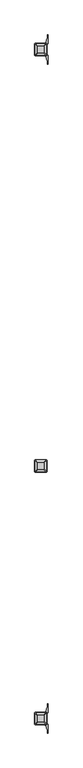
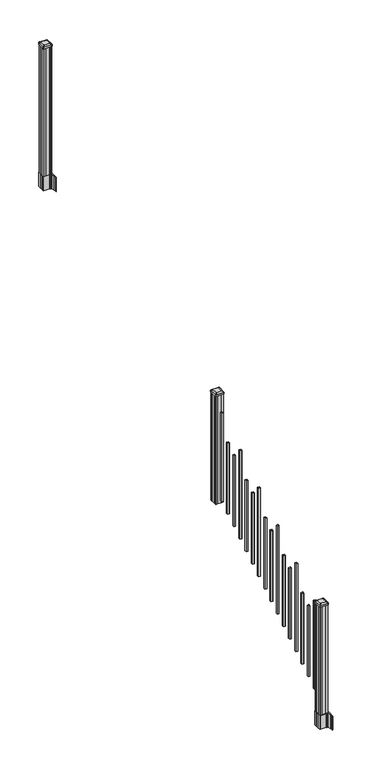
"""IFC4 building model written with IfcOpenShell, lengths in millimetres: railing geometry."""

import ifcopenshell
import ifcopenshell.guid

model = None  # the IFC model being written
_history = None  # IfcOwnerHistory: only IFC2X3 demands one
_inside = {}  # id of a spatial element -> (the spatial element, [elements in it])
_under = {}  # id of a project, library or spatial element -> (it, [spatial elements below it])
_declared = {}  # id of a project -> (the project, [libraries it declares])
_typed = {}  # id of a type object -> (the type object, [elements of that type])
_made_of = {}  # id of a material, layer set ... -> (it, [elements and type objects made of it])


def new_model(schema):
    """Start an empty IFC model of exactly this schema.

    Asked for "IFC4X3", IfcOpenShell would pick the latest addendum, in which some entities
    have other attributes; the version numbers below select the first issue.
    IFC2X3 requires an IfcOwnerHistory on every rooted entity: one is made here for all.
    """
    global model, _history
    if schema == "IFC4X3":
        model = ifcopenshell.file(schema_version=(4, 3, 0, 0))
    else:
        model = ifcopenshell.file(schema=schema)
    _inside.clear()
    _under.clear()
    _declared.clear()
    _typed.clear()
    _made_of.clear()
    _history = None
    if model.schema == "IFC2X3":
        org = make("IfcOrganization", Name="unknown")
        user = make(
            "IfcPersonAndOrganization",
            ThePerson=make("IfcPerson", FamilyName="unknown"),
            TheOrganization=org,
        )
        app = make(
            "IfcApplication",
            ApplicationDeveloper=org,
            Version="unknown",
            ApplicationFullName="unknown",
            ApplicationIdentifier="unknown",
        )
        _history = make(
            "IfcOwnerHistory",
            OwningUser=user,
            OwningApplication=app,
            ChangeAction="ADDED",
            CreationDate=0,
        )
    return model


def make(cls, **values):
    """One entity of the class cls with the attributes given. An attribute that is None is left unset."""
    return model.create_entity(
        cls, **{name: value for name, value in values.items() if value is not None}
    )


def rooted(cls, **values):
    """An entity with a GlobalId (a new one), such as an element, a storey or a relation."""
    return make(cls, GlobalId=ifcopenshell.guid.new(), OwnerHistory=_history, **values)


def si_unit(unit_type, name, prefix=None):
    """IfcSIUnit, for example si_unit("LENGTHUNIT", "METRE", prefix="MILLI")."""
    return make("IfcSIUnit", UnitType=unit_type, Prefix=prefix, Name=name)


def assignment(units):
    """IfcUnitAssignment: the units of a project."""
    return None if units is None else make("IfcUnitAssignment", Units=units)


def point(xyz):
    """IfcCartesianPoint."""
    return None if xyz is None else make("IfcCartesianPoint", Coordinates=xyz)


def direction(xyz):
    """IfcDirection."""
    return None if xyz is None else make("IfcDirection", DirectionRatios=xyz)


def frame(location, z_axis=None, x_axis=None):
    """IfcAxis2Placement3D, a coordinate frame: its origin and axes. An axis left out is left unset."""
    return make(
        "IfcAxis2Placement3D",
        Location=point(location),
        Axis=direction(z_axis),
        RefDirection=direction(x_axis),
    )


def frame_2d(location, x_axis=None):
    """IfcAxis2Placement2D, a coordinate frame in the plane: its origin and x axis."""
    return make(
        "IfcAxis2Placement2D", Location=point(location), RefDirection=direction(x_axis)
    )


def origin():
    """The frame at (0, 0, 0) with its axes left unset."""
    return frame((0.0, 0.0, 0.0))


def place(relative_to, where):
    """IfcLocalPlacement: puts the frame where relative to a parent placement (None: the world)."""
    return make(
        "IfcLocalPlacement", PlacementRelTo=relative_to, RelativePlacement=where
    )


def context(
    kind, dimensions, precision=None, world=None, true_north=None, identifier=None
):
    """IfcGeometricRepresentationContext, for example the 3D "Model" context."""
    return make(
        "IfcGeometricRepresentationContext",
        ContextIdentifier=identifier,
        ContextType=kind,
        CoordinateSpaceDimension=dimensions,
        Precision=precision,
        WorldCoordinateSystem=world,
        TrueNorth=true_north,
    )


def project(units=None, contexts=None):
    """IfcProject with its units and contexts."""
    return rooted(
        "IfcProject",
        Name="project",
        RepresentationContexts=contexts,
        UnitsInContext=assignment(units),
    )


def spatial(cls, under=None, at=None, **own):
    """A site, building, storey or space (cls), placed at a placement, below another one or the project."""
    s = rooted(cls, ObjectPlacement=at, **own)
    if under is not None:
        _under.setdefault(under.id(), (under, []))[1].append(s)
    return s


def polyline(points):
    """IfcPolyline through the points."""
    return make("IfcPolyline", Points=[point(p) for p in points])


def circle_curve(where, radius):
    """IfcCircle in the frame where."""
    return make("IfcCircle", Position=where, Radius=radius)


def trimmed(basis, trim1, trim2, sense, master):
    """IfcTrimmedCurve: the piece of a basis curve between two trims."""
    return make(
        "IfcTrimmedCurve",
        BasisCurve=basis,
        Trim1=trim1,
        Trim2=trim2,
        SenseAgreement=sense,
        MasterRepresentation=master,
    )


def segment(curve, same_sense, transition):
    """IfcCompositeCurveSegment."""
    return make(
        "IfcCompositeCurveSegment",
        Transition=transition,
        SameSense=same_sense,
        ParentCurve=curve,
    )


def composite_curve(segments, self_intersect=None):
    """IfcCompositeCurve: segments joined end to end."""
    return make("IfcCompositeCurve", Segments=segments, SelfIntersect=self_intersect)


def outline(outer, holes=None, kind="AREA"):
    """IfcArbitraryClosedProfileDef: a profile drawn as a closed curve; with holes, ...WithVoids."""
    if holes is None:
        return make("IfcArbitraryClosedProfileDef", ProfileType=kind, OuterCurve=outer)
    return make(
        "IfcArbitraryProfileDefWithVoids",
        ProfileType=kind,
        OuterCurve=outer,
        InnerCurves=holes,
    )


def extrude(swept, where, along, depth):
    """IfcExtrudedAreaSolid: the profile swept, set in the frame where, extruded along a direction by depth."""
    return make(
        "IfcExtrudedAreaSolid",
        SweptArea=swept,
        Position=where,
        ExtrudedDirection=direction(along),
        Depth=depth,
    )


def shape(context_of_items, identifier, shape_type, items):
    """IfcShapeRepresentation: the items that make up one representation, for example the "Body"."""
    return make(
        "IfcShapeRepresentation",
        ContextOfItems=context_of_items,
        RepresentationIdentifier=identifier,
        RepresentationType=shape_type,
        Items=items,
    )


def source(mapping_origin, context_of_items, identifier, shape_type, items):
    """IfcRepresentationMap: a shape defined once, which mapped items show again and again."""
    return make(
        "IfcRepresentationMap",
        MappingOrigin=mapping_origin,
        MappedRepresentation=shape(context_of_items, identifier, shape_type, items),
    )


def transform(
    local_origin,
    x_axis=None,
    y_axis=None,
    z_axis=None,
    scale=None,
    scale2=None,
    scale3=None,
    uniform=True,
):
    """IfcCartesianTransformationOperator3D, or its non-uniform kind. x_axis, y_axis, z_axis: its Axis1, 2, 3."""
    if uniform:
        return make(
            "IfcCartesianTransformationOperator3D",
            Axis1=direction(x_axis),
            Axis2=direction(y_axis),
            LocalOrigin=point(local_origin),
            Scale=scale,
            Axis3=direction(z_axis),
        )
    return make(
        "IfcCartesianTransformationOperator3DnonUniform",
        Axis1=direction(x_axis),
        Axis2=direction(y_axis),
        LocalOrigin=point(local_origin),
        Scale=scale,
        Axis3=direction(z_axis),
        Scale2=scale2,
        Scale3=scale3,
    )


def mapped(mapping_source, mapping_target):
    """IfcMappedItem: shows the shape of a source again, moved by a transform."""
    return make(
        "IfcMappedItem", MappingSource=mapping_source, MappingTarget=mapping_target
    )


def made_of(thing, what):
    """Note that an element or type object is made of a material, layer set ...; save() writes the relation."""
    if what is not None:
        _made_of.setdefault(what.id(), (what, []))[1].append(thing)
    return thing


def element(
    cls,
    number,
    at=None,
    inside=None,
    cuts=None,
    type_object=None,
    material=None,
    context=None,
    identifier="Body",
    shape_type=None,
    held_by="IfcProductDefinitionShape",
    body=None,
    shapes=None,
    **own,
):
    """One element of the class cls, such as IfcWall. Its Tag is "e" and its number.

    at: its placement. inside: the storey or other place that contains it. cuts: it is an
    opening in that element (IfcRelVoidsElement). A single representation is given by context,
    identifier, shape_type and body (its items); several are given by shapes. held_by: the class
    of the entity that holds the representations. save() writes the other relations.
    """
    e = rooted(cls, Tag="e%d" % number, ObjectPlacement=at, **own)
    if body is not None:
        shapes = [shape(context, identifier, shape_type, body)]
    if shapes is not None:
        e.Representation = make(held_by, Representations=shapes)
    if inside is not None:
        _inside.setdefault(inside.id(), (inside, []))[1].append(e)
    if cuts is not None:
        rooted(
            "IfcRelVoidsElement", RelatingBuildingElement=cuts, RelatedOpeningElement=e
        )
    if type_object is not None:
        _typed.setdefault(type_object.id(), (type_object, []))[1].append(e)
    return made_of(e, material)


def aggregate(whole, parts):
    """IfcRelAggregates: a whole, such as a stair, and the parts it consists of."""
    return rooted("IfcRelAggregates", RelatingObject=whole, RelatedObjects=parts)


def save(model, path):
    """Write the relations noted so far, then the file.

    IfcRelAggregates (storeys below a building ...), IfcRelContainedInSpatialStructure (elements
    in a storey), IfcRelDefinesByType, IfcRelAssociatesMaterial and IfcRelDeclares: one each for
    every whole, place, type object, material and project.
    """
    for whole, parts in _under.values():
        aggregate(whole, parts)
    for where, things in _inside.values():
        rooted(
            "IfcRelContainedInSpatialStructure",
            RelatedElements=things,
            RelatingStructure=where,
        )
    for kind, things in _typed.values():
        rooted("IfcRelDefinesByType", RelatedObjects=things, RelatingType=kind)
    for what, things in _made_of.values():
        rooted("IfcRelAssociatesMaterial", RelatedObjects=things, RelatingMaterial=what)
    for by, libraries in _declared.values():
        rooted("IfcRelDeclares", RelatingContext=by, RelatedDefinitions=libraries)
    model.write(path)


def plane_surface(at):
    """IfcPlane: the flat surface through the origin of the frame at, square to its z axis."""
    return make("IfcPlane", Position=at)


def extruded_surface(curve, direction_of_extrusion, depth):
    """IfcSurfaceOfLinearExtrusion: the curve pushed along a direction by depth."""
    return make(
        "IfcSurfaceOfLinearExtrusion",
        SweptCurve=make("IfcArbitraryOpenProfileDef", ProfileType="CURVE", Curve=curve),
        ExtrudedDirection=direction(direction_of_extrusion),
        Depth=depth,
    )


def advanced_brep(points, edges, surfaces, faces):
    """IfcAdvancedBrep: a solid bounded by faces that lie on surfaces and meet in shared edges.

    An edge is (start, end): straight between two places in points (the first is 0);
    or (start, end, curve); or (start, end, curve, False) where it runs against its curve.
    A face is (place in surfaces, loops), or (place, loops, False) where it looks against
    its surface's normal. A loop lists edges by number (the first is 1), with a minus sign
    where the edge is run from its end to its start. The first loop is the outer one.
    """
    corners = [point(p) for p in points]
    vertices = [make("IfcVertexPoint", VertexGeometry=c) for c in corners]
    made = []
    for start, end, *more in edges:
        made.append(
            make(
                "IfcEdgeCurve",
                EdgeStart=vertices[start],
                EdgeEnd=vertices[end],
                EdgeGeometry=more[0] if more else make("IfcPolyline", Points=[corners[start], corners[end]]),
                SameSense=more[1] if len(more) > 1 else True,
            )
        )
    hull = []
    for where, loops, *sense in faces:
        bounds = []
        for j, loop in enumerate(loops):
            ring = [make("IfcOrientedEdge", EdgeElement=made[abs(k) - 1], Orientation=k > 0) for k in loop]
            bounds.append(
                make(
                    "IfcFaceOuterBound" if j == 0 else "IfcFaceBound",
                    Bound=make("IfcEdgeLoop", EdgeList=ring),
                    Orientation=True,
                )
            )
        hull.append(make("IfcAdvancedFace", Bounds=bounds, FaceSurface=surfaces[where], SameSense=sense[0] if sense else True))
    return make("IfcAdvancedBrep", Outer=make("IfcClosedShell", CfsFaces=hull))


def railing_5c377185(model_context):
    return source(origin(), model_context, "Body", "SolidModel", [
        advanced_brep(
        [(8709.4626478, -114155.4027203, 2547.109263), (8712.6376478, -114152.2277203, 2547.109263), (8712.6376478, -114100.6339703, 2547.109263), (8709.4626478, -114097.4589703, 2547.109263), (8657.8688978, -114097.4589703, 2547.109263), (8654.6938978, -114100.6339703, 2547.109263), (8654.6938978, -114152.2277203, 2547.109263), (8657.8688978, -114155.4027203, 2547.109263), (8725.7345228, -114171.6745953, 2535.806263), (8641.5970228, -114171.6745953, 2535.806263), (8638.4220228, -114168.4995953, 2535.806263), (8638.4220228, -114084.3620953, 2535.806263), (8641.5970228, -114081.1870953, 2535.806263), (8725.7345228, -114081.1870953, 2535.806263), (8728.9095228, -114084.3620953, 2535.806263), (8728.9095228, -114168.4995953, 2535.806263)],
        [
            (0, 1, circle_curve(frame((8709.4626478, -114152.2277203, 2547.109263), z_axis=(0.0, 0.0, 1.0), x_axis=(0.0, 1.0, 0.0)), 3.175)),
            (1, 2),
            (2, 3, circle_curve(frame((8709.4626478, -114100.6339703, 2547.109263), z_axis=(0.0, 0.0, 1.0), x_axis=(0.0, 1.0, 0.0)), 3.175)),
            (3, 4),
            (4, 5, circle_curve(frame((8657.8688978, -114100.6339703, 2547.109263), z_axis=(0.0, 0.0, 1.0), x_axis=(0.0, 1.0, 0.0)), 3.175)),
            (5, 6),
            (6, 7, circle_curve(frame((8657.8688978, -114152.2277203, 2547.109263), z_axis=(0.0, 0.0, 1.0), x_axis=(0.0, 1.0, 0.0)), 3.175)),
            (7, 0),
            (8, 9),
            (9, 10, circle_curve(frame((8641.5970228, -114168.4995953, 2535.806263), z_axis=(0.0, 0.0, -1.0), x_axis=(0.0, 1.0, 0.0)), 3.175)),
            (10, 11),
            (11, 12, circle_curve(frame((8641.5970228, -114084.3620953, 2535.806263), z_axis=(0.0, 0.0, -1.0), x_axis=(0.0, 1.0, 0.0)), 3.175)),
            (12, 13),
            (13, 14, circle_curve(frame((8725.7345228, -114084.3620953, 2535.806263), z_axis=(0.0, 0.0, -1.0), x_axis=(0.0, 1.0, 0.0)), 3.175)),
            (14, 15),
            (15, 8, circle_curve(frame((8725.7345228, -114168.4995953, 2535.806263), z_axis=(0.0, 0.0, -1.0), x_axis=(0.0, 1.0, 0.0)), 3.175)),
            (15, 1),
            (0, 8),
            (14, 2),
            (13, 3),
            (12, 4),
            (11, 5),
            (10, 6),
            (9, 7),
        ],
        [
            plane_surface(frame((8683.6657728, -114126.4308453, 2547.109263), z_axis=(0.0, 0.0, 1.0), x_axis=(1.0, 0.0, 0.0))),
            plane_surface(frame((8683.6657728, -114126.4308453, 2535.806263), z_axis=(0.0, 0.0, -1.0), x_axis=(1.0, 0.0, 0.0))),
            extruded_surface(trimmed(circle_curve(frame((8725.7345228, -114168.4995953, 2535.806263), z_axis=(0.0, 0.0, 1.0), x_axis=(0.0, 1.0, 0.0)), 3.175), [point((8725.7345228, -114171.6745953, 2535.806263))], [point((8728.9095228, -114168.4995953, 2535.806263))], True, "CARTESIAN"), (-16.271875000000364, 16.27187500000582, 11.302999999999884), 25.637972638870036),
            plane_surface(frame((8728.9095228, -114126.4308453, 2535.806263), z_axis=(0.5705009161540778, 0.0, 0.8212969649690408), x_axis=(0.0, 1.0, 0.0))),
            extruded_surface(trimmed(circle_curve(frame((8725.7345228, -114084.3620953, 2535.806263), z_axis=(0.0, 0.0, 1.0), x_axis=(0.0, 1.0, 0.0)), 3.175), [point((8728.9095228, -114084.3620953, 2535.806263))], [point((8725.7345228, -114081.1870953, 2535.806263))], True, "CARTESIAN"), (-16.271875000000364, -16.27187499999127, 11.302999999999884), 25.637972638860802),
            plane_surface(frame((8683.6657728, -114081.1870953, 2535.806263), z_axis=(0.0, 0.5705009161540291, 0.8212969649690747), x_axis=(-1.0, 0.0, 0.0))),
            extruded_surface(trimmed(circle_curve(frame((8641.5970228, -114084.3620953, 2535.806263), z_axis=(0.0, 0.0, 1.0), x_axis=(0.0, 1.0, 0.0)), 3.175), [point((8641.5970228, -114081.1870953, 2535.806263))], [point((8638.4220228, -114084.3620953, 2535.806263))], True, "CARTESIAN"), (16.271874999998545, -16.27187499999127, 11.302999999999884), 25.637972638859644),
            plane_surface(frame((8638.4220228, -114126.4308453, 2535.806263), z_axis=(-0.5705009161540142, 0.0, 0.8212969649690851), x_axis=(0.0, -1.0, 0.0))),
            extruded_surface(trimmed(circle_curve(frame((8641.5970228, -114168.4995953, 2535.806263), z_axis=(0.0, 0.0, 1.0), x_axis=(0.0, 1.0, 0.0)), 3.175), [point((8638.4220228, -114168.4995953, 2535.806263))], [point((8641.5970228, -114171.6745953, 2535.806263))], True, "CARTESIAN"), (16.271874999998545, 16.27187500000582, 11.302999999999884), 25.63797263886888),
            plane_surface(frame((8683.6657728, -114171.6745953, 2535.806263), z_axis=(0.0, -0.570500916154034, 0.8212969649690713), x_axis=(1.0, 0.0, 0.0))),
        ],
        [
            (0, [[1, 2, 3, 4, 5, 6, 7, 8]]),
            (1, [[9, 10, 11, 12, 13, 14, 15, 16]]),
            (2, [[-16, 17, -1, 18]]),
            (3, [[-15, 19, -2, -17]]),
            (4, [[-14, 20, -3, -19]]),
            (5, [[-13, 21, -4, -20]]),
            (6, [[-12, 22, -5, -21]]),
            (7, [[-11, 23, -6, -22]]),
            (8, [[-10, 24, -7, -23]]),
            (9, [[-9, -18, -8, -24]]),
        ],
    ),
        extrude(outline(composite_curve([segment(polyline([(8725.7345228, -114171.6745953), (8641.5970228, -114171.6745953)]), True, "CONTINUOUS"), segment(trimmed(circle_curve(frame_2d((8641.5970228, -114168.4995953)), 3.175), [point((8641.5970228, -114171.6745953))], [point((8638.4220228, -114168.4995953))], False, "CARTESIAN"), True, "CONTINUOUS"), segment(polyline([(8638.4220228, -114168.4995953), (8638.4220228, -114084.3620953)]), True, "CONTINUOUS"), segment(trimmed(circle_curve(frame_2d((8641.5970228, -114084.3620953)), 3.175), [point((8638.4220228, -114084.3620953))], [point((8641.5970228, -114081.1870953))], False, "CARTESIAN"), True, "CONTINUOUS"), segment(polyline([(8641.5970228, -114081.1870953), (8725.7345228, -114081.1870953)]), True, "CONTINUOUS"), segment(trimmed(circle_curve(frame_2d((8725.7345228, -114084.3620953)), 3.175), [point((8725.7345228, -114081.1870953))], [point((8728.9095228, -114084.3620953))], False, "CARTESIAN"), True, "CONTINUOUS"), segment(polyline([(8728.9095228, -114084.3620953), (8728.9095228, -114168.4995953)]), True, "CONTINUOUS"), segment(trimmed(circle_curve(frame_2d((8725.7345228, -114168.4995953)), 3.175), [point((8728.9095228, -114168.4995953))], [point((8725.7345228, -114171.6745953))], False, "CARTESIAN"), True, "CONTINUOUS")], self_intersect=False)), frame((0.0, 0.0, 2518.534263), z_axis=(0.0, 0.0, 1.0), x_axis=(1.0, 0.0, 0.0)), (0.0, 0.0, 1.0), 17.272),
        extrude(outline(polyline([(8723.3532728, -114167.7058453), (8703.7317728, -114167.7058453), (8702.9697728, -114166.1183453), (8664.3617728, -114166.1183453), (8663.5997728, -114167.7058453), (8643.9782728, -114167.7058453), (8642.3907728, -114166.1183453), (8642.3907728, -114146.4968453), (8643.9782728, -114145.7348453), (8643.9782728, -114107.1268453), (8642.3907728, -114106.3648453), (8642.3907728, -114086.7433453), (8643.9782728, -114085.1558453), (8663.5997728, -114085.1558453), (8664.3617728, -114086.7433453), (8702.9697728, -114086.7433453), (8703.7317728, -114085.1558453), (8723.3532728, -114085.1558453), (8724.9407728, -114086.7433453), (8724.9407728, -114106.3648453), (8723.3532728, -114107.1268453), (8723.3532728, -114145.7348453), (8724.9407728, -114146.4968453), (8724.9407728, -114166.1183453), (8723.3532728, -114167.7058453)])), frame((0.0, 0.0, 1334.77), z_axis=(0.0, 0.0, 1.0), x_axis=(1.0, 0.0, 0.0)), (0.0, 0.0, 1.0), 1183.764263),
        extrude(outline(polyline([(8674.1407728, -114216.9818453), (8674.1407728, -114197.9318453), (8693.1907728, -114197.9318453), (8693.1907728, -114216.9818453), (8674.1407728, -114216.9818453)]), holes=[polyline([(8674.5376478, -114216.5849703), (8692.7938978, -114216.5849703), (8692.7938978, -114198.3287203), (8674.5376478, -114198.3287203), (8674.5376478, -114216.5849703)])]), frame((0.0, 0.0, 1385.7246281), z_axis=(0.0, 0.0, 1.0), x_axis=(1.0, 0.0, 0.0)), (0.0, 0.0, 1.0), 965.2041219),
        extrude(outline(polyline([(8674.1407728, -114328.2338453), (8674.1407728, -114309.1838453), (8693.1907728, -114309.1838453), (8693.1907728, -114328.2338453), (8674.1407728, -114328.2338453)]), holes=[polyline([(8674.5376478, -114327.8369703), (8692.7938978, -114327.8369703), (8692.7938978, -114309.5807203), (8674.5376478, -114309.5807203), (8674.5376478, -114327.8369703)])]), frame((0.0, 0.0, 1316.1921281), z_axis=(0.0, 0.0, 1.0), x_axis=(1.0, 0.0, 0.0)), (0.0, 0.0, 1.0), 774.7041219),
        extrude(outline(polyline([(8674.1407728, -114439.4858453), (8674.1407728, -114420.4358453), (8693.1907728, -114420.4358453), (8693.1907728, -114439.4858453), (8674.1407728, -114439.4858453)]), holes=[polyline([(8674.5376478, -114439.0889703), (8692.7938978, -114439.0889703), (8692.7938978, -114420.8327203), (8674.5376478, -114420.8327203), (8674.5376478, -114439.0889703)])]), frame((0.0, 0.0, 1246.6596281), z_axis=(0.0, 0.0, 1.0), x_axis=(1.0, 0.0, 0.0)), (0.0, 0.0, 1.0), 774.7041219),
        extrude(outline(polyline([(8674.1407728, -114550.7378453), (8674.1407728, -114531.6878453), (8693.1907728, -114531.6878453), (8693.1907728, -114550.7378453), (8674.1407728, -114550.7378453)]), holes=[polyline([(8674.5376478, -114550.3409703), (8692.7938978, -114550.3409703), (8692.7938978, -114532.0847203), (8674.5376478, -114532.0847203), (8674.5376478, -114550.3409703)])]), frame((0.0, 0.0, 1177.1271281), z_axis=(0.0, 0.0, 1.0), x_axis=(1.0, 0.0, 0.0)), (0.0, 0.0, 1.0), 965.2041219),
        extrude(outline(polyline([(8674.1407728, -114661.9898453), (8674.1407728, -114642.9398453), (8693.1907728, -114642.9398453), (8693.1907728, -114661.9898453), (8674.1407728, -114661.9898453)]), holes=[polyline([(8674.5376478, -114661.5929703), (8692.7938978, -114661.5929703), (8692.7938978, -114643.3367203), (8674.5376478, -114643.3367203), (8674.5376478, -114661.5929703)])]), frame((0.0, 0.0, 1107.5946281), z_axis=(0.0, 0.0, 1.0), x_axis=(1.0, 0.0, 0.0)), (0.0, 0.0, 1.0), 774.7041219),
        extrude(outline(polyline([(8674.1407728, -114773.2418453), (8674.1407728, -114754.1918453), (8693.1907728, -114754.1918453), (8693.1907728, -114773.2418453), (8674.1407728, -114773.2418453)]), holes=[polyline([(8674.5376478, -114772.8449703), (8692.7938978, -114772.8449703), (8692.7938978, -114754.5887203), (8674.5376478, -114754.5887203), (8674.5376478, -114772.8449703)])]), frame((0.0, 0.0, 1038.0621281), z_axis=(0.0, 0.0, 1.0), x_axis=(1.0, 0.0, 0.0)), (0.0, 0.0, 1.0), 774.7041219),
        extrude(outline(polyline([(8674.1407728, -114884.4938453), (8674.1407728, -114865.4438453), (8693.1907728, -114865.4438453), (8693.1907728, -114884.4938453), (8674.1407728, -114884.4938453)]), holes=[polyline([(8674.5376478, -114884.0969703), (8692.7938978, -114884.0969703), (8692.7938978, -114865.8407203), (8674.5376478, -114865.8407203), (8674.5376478, -114884.0969703)])]), frame((0.0, 0.0, 968.5296281), z_axis=(0.0, 0.0, 1.0), x_axis=(1.0, 0.0, 0.0)), (0.0, 0.0, 1.0), 965.2041219),
        extrude(outline(polyline([(8674.1407728, -114995.7458453), (8674.1407728, -114976.6958453), (8693.1907728, -114976.6958453), (8693.1907728, -114995.7458453), (8674.1407728, -114995.7458453)]), holes=[polyline([(8674.5376478, -114995.3489703), (8692.7938978, -114995.3489703), (8692.7938978, -114977.0927203), (8674.5376478, -114977.0927203), (8674.5376478, -114995.3489703)])]), frame((0.0, 0.0, 898.9971281), z_axis=(0.0, 0.0, 1.0), x_axis=(1.0, 0.0, 0.0)), (0.0, 0.0, 1.0), 774.7041219),
        extrude(outline(polyline([(8674.1407728, -115106.9978453), (8674.1407728, -115087.9478453), (8693.1907728, -115087.9478453), (8693.1907728, -115106.9978453), (8674.1407728, -115106.9978453)]), holes=[polyline([(8674.5376478, -115106.6009703), (8692.7938978, -115106.6009703), (8692.7938978, -115088.3447203), (8674.5376478, -115088.3447203), (8674.5376478, -115106.6009703)])]), frame((0.0, 0.0, 829.4646281), z_axis=(0.0, 0.0, 1.0), x_axis=(1.0, 0.0, 0.0)), (0.0, 0.0, 1.0), 774.7041219),
        extrude(outline(polyline([(8674.1407728, -115218.2498453), (8674.1407728, -115199.1998453), (8693.1907728, -115199.1998453), (8693.1907728, -115218.2498453), (8674.1407728, -115218.2498453)]), holes=[polyline([(8674.5376478, -115217.8529703), (8692.7938978, -115217.8529703), (8692.7938978, -115199.5967203), (8674.5376478, -115199.5967203), (8674.5376478, -115217.8529703)])]), frame((0.0, 0.0, 759.9321281), z_axis=(0.0, 0.0, 1.0), x_axis=(1.0, 0.0, 0.0)), (0.0, 0.0, 1.0), 965.2041219),
        extrude(outline(polyline([(8674.1407728, -115329.5018453), (8674.1407728, -115310.4518453), (8693.1907728, -115310.4518453), (8693.1907728, -115329.5018453), (8674.1407728, -115329.5018453)]), holes=[polyline([(8674.5376478, -115329.1049703), (8692.7938978, -115329.1049703), (8692.7938978, -115310.8487203), (8674.5376478, -115310.8487203), (8674.5376478, -115329.1049703)])]), frame((0.0, 0.0, 690.3996281), z_axis=(0.0, 0.0, 1.0), x_axis=(1.0, 0.0, 0.0)), (0.0, 0.0, 1.0), 774.7041219),
        extrude(outline(polyline([(8674.1407728, -115440.7538453), (8674.1407728, -115421.7038453), (8693.1907728, -115421.7038453), (8693.1907728, -115440.7538453), (8674.1407728, -115440.7538453)]), holes=[polyline([(8674.5376478, -115440.3569703), (8692.7938978, -115440.3569703), (8692.7938978, -115422.1007203), (8674.5376478, -115422.1007203), (8674.5376478, -115440.3569703)])]), frame((0.0, 0.0, 620.8671281), z_axis=(0.0, 0.0, 1.0), x_axis=(1.0, 0.0, 0.0)), (0.0, 0.0, 1.0), 774.7041219),
        extrude(outline(polyline([(8674.1407728, -115552.0058453), (8674.1407728, -115532.9558453), (8693.1907728, -115532.9558453), (8693.1907728, -115552.0058453), (8674.1407728, -115552.0058453)]), holes=[polyline([(8674.5376478, -115551.6089703), (8692.7938978, -115551.6089703), (8692.7938978, -115533.3527203), (8674.5376478, -115533.3527203), (8674.5376478, -115551.6089703)])]), frame((0.0, 0.0, 551.3346281), z_axis=(0.0, 0.0, 1.0), x_axis=(1.0, 0.0, 0.0)), (0.0, 0.0, 1.0), 965.2041219),
        extrude(outline(polyline([(8674.1407728, -115663.2578453), (8674.1407728, -115644.2078453), (8693.1907728, -115644.2078453), (8693.1907728, -115663.2578453), (8674.1407728, -115663.2578453)]), holes=[polyline([(8674.5376478, -115662.8609703), (8692.7938978, -115662.8609703), (8692.7938978, -115644.6047203), (8674.5376478, -115644.6047203), (8674.5376478, -115662.8609703)])]), frame((0.0, 0.0, 481.8021281), z_axis=(0.0, 0.0, 1.0), x_axis=(1.0, 0.0, 0.0)), (0.0, 0.0, 1.0), 774.7041219),
        extrude(outline(polyline([(8674.1407728, -115774.5098453), (8674.1407728, -115755.4598453), (8693.1907728, -115755.4598453), (8693.1907728, -115774.5098453), (8674.1407728, -115774.5098453)]), holes=[polyline([(8674.5376478, -115774.1129703), (8692.7938978, -115774.1129703), (8692.7938978, -115755.8567203), (8674.5376478, -115755.8567203), (8674.5376478, -115774.1129703)])]), frame((0.0, 0.0, 412.2696281), z_axis=(0.0, 0.0, 1.0), x_axis=(1.0, 0.0, 0.0)), (0.0, 0.0, 1.0), 774.7041219),
        extrude(outline(polyline([(8674.1407728, -115885.7618453), (8674.1407728, -115866.7118453), (8693.1907728, -115866.7118453), (8693.1907728, -115885.7618453), (8674.1407728, -115885.7618453)]), holes=[polyline([(8674.5376478, -115885.3649703), (8692.7938978, -115885.3649703), (8692.7938978, -115867.1087203), (8674.5376478, -115867.1087203), (8674.5376478, -115885.3649703)])]), frame((0.0, 0.0, 342.7371281), z_axis=(0.0, 0.0, 1.0), x_axis=(1.0, 0.0, 0.0)), (0.0, 0.0, 1.0), 965.2041219),
        extrude(outline(polyline([(8723.3532728, -111080.3358453), (8703.7317728, -111080.3358453), (8702.9697728, -111078.7483453), (8664.3617728, -111078.7483453), (8663.5997728, -111080.3358453), (8643.9782728, -111080.3358453), (8642.3907728, -111078.7483453), (8642.3907728, -111059.1268453), (8643.9782728, -111058.3648453), (8643.9782728, -111019.7568453), (8642.3907728, -111018.9948453), (8642.3907728, -110999.3733453), (8643.9782728, -110997.7858453), (8663.5997728, -110997.7858453), (8664.3617728, -110999.3733453), (8702.9697728, -110999.3733453), (8703.7317728, -110997.7858453), (8723.3532728, -110997.7858453), (8724.9407728, -110999.3733453), (8724.9407728, -111018.9948453), (8723.3532728, -111019.7568453), (8723.3532728, -111058.3648453), (8724.9407728, -111059.1268453), (8724.9407728, -111078.7483453), (8723.3532728, -111080.3358453)])), frame((0.0, 0.0, 3048.0), z_axis=(0.0, 0.0, 1.0), x_axis=(1.0, 0.0, 0.0)), (0.0, 0.0, 1.0), 1400.140513),
        extrude(outline(composite_curve([segment(polyline([(8640.9302728, -111056.4469401), (8640.9302728, -111021.6747504), (8639.3427728, -111020.9127504), (8639.3427728, -110998.1108224), (8642.7157498, -110994.7378453), (8704.1754206, -110994.7378453), (8704.1754206, -110993.8170953), (8709.4929645, -110993.8170953), (8709.4929645, -110992.3628406), (8714.5774942, -110992.3628406), (8714.5774942, -110991.0788168), (8716.2447665, -110991.0788168)]), True, "CONTINUOUS"), segment(trimmed(circle_curve(frame_2d((8716.2447665, -110984.0193569)), 7.0594599), [point((8716.2447665, -110991.0788168))], [point((8723.0120293, -110986.0293636))], True, "CARTESIAN"), True, "CONTINUOUS"), segment(polyline([(8723.0120293, -110986.0293636), (8730.8862236, -110959.5186345)]), True, "CONTINUOUS"), segment(trimmed(circle_curve(frame_2d((8676.1017103, -110943.2465848)), 57.15), [point((8730.8862236, -110959.5186345))], [point((8733.2517103, -110943.2465848))], True, "CARTESIAN"), True, "CONTINUOUS"), segment(polyline([(8733.2517103, -110943.2465848), (8733.2517103, -110931.2378453), (8736.2517103, -110931.2378453), (8736.2517103, -110996.3253453), (8727.9887728, -111007.6636366), (8727.9887728, -111020.9127504), (8726.4012728, -111021.6747504), (8726.4012728, -111056.4469401), (8727.9887728, -111057.2089401), (8727.9887728, -111070.458054), (8736.2517103, -111081.7963453), (8736.2517103, -111146.8838453), (8733.2517103, -111146.8838453), (8733.2517103, -111134.8751057)]), True, "CONTINUOUS"), segment(trimmed(circle_curve(frame_2d((8676.1017103, -111134.8751057)), 57.15), [point((8733.2517103, -111134.8751057))], [point((8730.8862236, -111118.6030561))], True, "CARTESIAN"), True, "CONTINUOUS"), segment(polyline([(8730.8862236, -111118.6030561), (8723.0120293, -111092.092327)]), True, "CONTINUOUS"), segment(trimmed(circle_curve(frame_2d((8716.2447665, -111094.1023337)), 7.0594599), [point((8723.0120293, -111092.092327))], [point((8716.2447665, -111087.0428738))], True, "CARTESIAN"), True, "CONTINUOUS"), segment(polyline([(8716.2447665, -111087.0428738), (8714.5774942, -111087.0428738), (8714.5774942, -111085.75885), (8709.4929645, -111085.75885), (8709.4929645, -111084.3045953), (8704.1754206, -111084.3045953), (8704.1754206, -111083.3838453), (8642.7157498, -111083.3838453), (8639.3427728, -111080.0108682), (8639.3427728, -111057.2089401), (8640.9302728, -111056.4469401)]), True, "CONTINUOUS")], self_intersect=False), holes=[polyline([(8724.9407728, -110999.3733453), (8723.3532728, -110997.7858453), (8686.4289902, -110997.7858453), (8643.9782728, -110997.7858453), (8642.3907728, -110999.3733453), (8642.3907728, -111078.7483453), (8643.9782728, -111080.3358453), (8686.4289902, -111080.3358453), (8723.3532728, -111080.3358453), (8724.9407728, -111078.7483453), (8724.9407728, -110999.3733453)])]), frame((0.0, 0.0, 2895.6), z_axis=(0.0, 0.0, 1.0), x_axis=(1.0, 0.0, 0.0)), (0.0, 0.0, 1.0), 152.4),
        advanced_brep(
        [(8709.4626478, -111068.0327203, 4476.715513), (8712.6376478, -111064.8577203, 4476.715513), (8712.6376478, -111013.2639703, 4476.715513), (8709.4626478, -111010.0889703, 4476.715513), (8657.8688978, -111010.0889703, 4476.715513), (8654.6938978, -111013.2639703, 4476.715513), (8654.6938978, -111064.8577203, 4476.715513), (8657.8688978, -111068.0327203, 4476.715513), (8725.7345228, -111084.3045953, 4465.412513), (8641.5970228, -111084.3045953, 4465.412513), (8638.4220228, -111081.1295953, 4465.412513), (8638.4220228, -110996.9920953, 4465.412513), (8641.5970228, -110993.8170953, 4465.412513), (8725.7345228, -110993.8170953, 4465.412513), (8728.9095228, -110996.9920953, 4465.412513), (8728.9095228, -111081.1295953, 4465.412513)],
        [
            (0, 1, circle_curve(frame((8709.4626478, -111064.8577203, 4476.715513), z_axis=(0.0, 0.0, 1.0), x_axis=(0.0, 1.0, 0.0)), 3.175)),
            (1, 2),
            (2, 3, circle_curve(frame((8709.4626478, -111013.2639703, 4476.715513), z_axis=(0.0, 0.0, 1.0), x_axis=(0.0, 1.0, 0.0)), 3.175)),
            (3, 4),
            (4, 5, circle_curve(frame((8657.8688978, -111013.2639703, 4476.715513), z_axis=(0.0, 0.0, 1.0), x_axis=(0.0, 1.0, 0.0)), 3.175)),
            (5, 6),
            (6, 7, circle_curve(frame((8657.8688978, -111064.8577203, 4476.715513), z_axis=(0.0, 0.0, 1.0), x_axis=(0.0, 1.0, 0.0)), 3.175)),
            (7, 0),
            (8, 9),
            (9, 10, circle_curve(frame((8641.5970228, -111081.1295953, 4465.412513), z_axis=(0.0, 0.0, -1.0), x_axis=(0.0, 1.0, 0.0)), 3.175)),
            (10, 11),
            (11, 12, circle_curve(frame((8641.5970228, -110996.9920953, 4465.412513), z_axis=(0.0, 0.0, -1.0), x_axis=(0.0, 1.0, 0.0)), 3.175)),
            (12, 13),
            (13, 14, circle_curve(frame((8725.7345228, -110996.9920953, 4465.412513), z_axis=(0.0, 0.0, -1.0), x_axis=(0.0, 1.0, 0.0)), 3.175)),
            (14, 15),
            (15, 8, circle_curve(frame((8725.7345228, -111081.1295953, 4465.412513), z_axis=(0.0, 0.0, -1.0), x_axis=(0.0, 1.0, 0.0)), 3.175)),
            (15, 1),
            (0, 8),
            (14, 2),
            (13, 3),
            (12, 4),
            (11, 5),
            (10, 6),
            (9, 7),
        ],
        [
            plane_surface(frame((8683.6657728, -111039.0608453, 4476.715513), z_axis=(0.0, 0.0, 1.0), x_axis=(1.0, 0.0, 0.0))),
            plane_surface(frame((8683.6657728, -111039.0608453, 4465.412513), z_axis=(0.0, 0.0, -1.0), x_axis=(1.0, 0.0, 0.0))),
            extruded_surface(trimmed(circle_curve(frame((8725.7345228, -111081.1295953, 4465.412513), z_axis=(0.0, 0.0, 1.0), x_axis=(0.0, 1.0, 0.0)), 3.175), [point((8725.7345228, -111084.3045953, 4465.412513))], [point((8728.9095228, -111081.1295953, 4465.412513))], True, "CARTESIAN"), (-16.271875000000364, 16.27187499999127, 11.302999999999884), 25.637972638860802),
            plane_surface(frame((8728.9095228, -111039.0608453, 4465.412513), z_axis=(0.5705009161540685, 0.0, 0.8212969649690474), x_axis=(0.0, 1.0, 0.0))),
            extruded_surface(trimmed(circle_curve(frame((8725.7345228, -110996.9920953, 4465.412513), z_axis=(0.0, 0.0, 1.0), x_axis=(0.0, 1.0, 0.0)), 3.175), [point((8728.9095228, -110996.9920953, 4465.412513))], [point((8725.7345228, -110993.8170953, 4465.412513))], True, "CARTESIAN"), (-16.271875000000364, -16.27187500000582, 11.302999999999884), 25.637972638870036),
            plane_surface(frame((8683.6657728, -110993.8170953, 4465.412513), z_axis=(0.0, 0.5705009161540291, 0.8212969649690747), x_axis=(-1.0, 0.0, 0.0))),
            extruded_surface(trimmed(circle_curve(frame((8641.5970228, -110996.9920953, 4465.412513), z_axis=(0.0, 0.0, 1.0), x_axis=(0.0, 1.0, 0.0)), 3.175), [point((8641.5970228, -110993.8170953, 4465.412513))], [point((8638.4220228, -110996.9920953, 4465.412513))], True, "CARTESIAN"), (16.271874999998545, -16.27187500000582, 11.302999999999884), 25.63797263886888),
            plane_surface(frame((8638.4220228, -111039.0608453, 4465.412513), z_axis=(-0.5705009161540235, 0.0, 0.8212969649690786), x_axis=(0.0, -1.0, 0.0))),
            extruded_surface(trimmed(circle_curve(frame((8641.5970228, -111081.1295953, 4465.412513), z_axis=(0.0, 0.0, 1.0), x_axis=(0.0, 1.0, 0.0)), 3.175), [point((8638.4220228, -111081.1295953, 4465.412513))], [point((8641.5970228, -111084.3045953, 4465.412513))], True, "CARTESIAN"), (16.271874999998545, 16.27187499999127, 11.302999999999884), 25.637972638859644),
            plane_surface(frame((8683.6657728, -111084.3045953, 4465.412513), z_axis=(0.0, -0.570500916154034, 0.8212969649690713), x_axis=(1.0, 0.0, 0.0))),
        ],
        [
            (0, [[1, 2, 3, 4, 5, 6, 7, 8]]),
            (1, [[9, 10, 11, 12, 13, 14, 15, 16]]),
            (2, [[-16, 17, -1, 18]]),
            (3, [[-15, 19, -2, -17]]),
            (4, [[-14, 20, -3, -19]]),
            (5, [[-13, 21, -4, -20]]),
            (6, [[-12, 22, -5, -21]]),
            (7, [[-11, 23, -6, -22]]),
            (8, [[-10, 24, -7, -23]]),
            (9, [[-9, -18, -8, -24]]),
        ],
    ),
        extrude(outline(composite_curve([segment(polyline([(8725.7345228, -111084.3045953), (8641.5970228, -111084.3045953)]), True, "CONTINUOUS"), segment(trimmed(circle_curve(frame_2d((8641.5970228, -111081.1295953)), 3.175), [point((8641.5970228, -111084.3045953))], [point((8638.4220228, -111081.1295953))], False, "CARTESIAN"), True, "CONTINUOUS"), segment(polyline([(8638.4220228, -111081.1295953), (8638.4220228, -110996.9920953)]), True, "CONTINUOUS"), segment(trimmed(circle_curve(frame_2d((8641.5970228, -110996.9920953)), 3.175), [point((8638.4220228, -110996.9920953))], [point((8641.5970228, -110993.8170953))], False, "CARTESIAN"), True, "CONTINUOUS"), segment(polyline([(8641.5970228, -110993.8170953), (8725.7345228, -110993.8170953)]), True, "CONTINUOUS"), segment(trimmed(circle_curve(frame_2d((8725.7345228, -110996.9920953)), 3.175), [point((8725.7345228, -110993.8170953))], [point((8728.9095228, -110996.9920953))], False, "CARTESIAN"), True, "CONTINUOUS"), segment(polyline([(8728.9095228, -110996.9920953), (8728.9095228, -111081.1295953)]), True, "CONTINUOUS"), segment(trimmed(circle_curve(frame_2d((8725.7345228, -111081.1295953)), 3.175), [point((8728.9095228, -111081.1295953))], [point((8725.7345228, -111084.3045953))], False, "CARTESIAN"), True, "CONTINUOUS")], self_intersect=False)), frame((0.0, 0.0, 4448.140513), z_axis=(0.0, 0.0, 1.0), x_axis=(1.0, 0.0, 0.0)), (0.0, 0.0, 1.0), 17.272),
        extrude(outline(composite_curve([segment(polyline([(8640.9302728, -116016.0509401), (8640.9302728, -115981.2787504), (8639.3427728, -115980.5167504), (8639.3427728, -115957.7148224), (8642.7157498, -115954.3418453), (8704.1754206, -115954.3418453), (8704.1754206, -115953.4210953), (8709.4929645, -115953.4210953), (8709.4929645, -115951.9668406), (8714.5774942, -115951.9668406), (8714.5774942, -115950.6828168), (8716.2447665, -115950.6828168)]), True, "CONTINUOUS"), segment(trimmed(circle_curve(frame_2d((8716.2447665, -115943.6233569)), 7.0594599), [point((8716.2447665, -115950.6828168))], [point((8723.0120293, -115945.6333636))], True, "CARTESIAN"), True, "CONTINUOUS"), segment(polyline([(8723.0120293, -115945.6333636), (8730.8862236, -115919.1226345)]), True, "CONTINUOUS"), segment(trimmed(circle_curve(frame_2d((8676.1017103, -115902.8505848)), 57.15), [point((8730.8862236, -115919.1226345))], [point((8733.2517103, -115902.8505848))], True, "CARTESIAN"), True, "CONTINUOUS"), segment(polyline([(8733.2517103, -115902.8505848), (8733.2517103, -115890.8418453), (8736.2517103, -115890.8418453), (8736.2517103, -115955.9293453), (8727.9887728, -115967.2676366), (8727.9887728, -115980.5167504), (8726.4012728, -115981.2787504), (8726.4012728, -116016.0509401), (8727.9887728, -116016.8129401), (8727.9887728, -116030.062054), (8736.2517103, -116041.4003453), (8736.2517103, -116106.4878453), (8733.2517103, -116106.4878453), (8733.2517103, -116094.4791057)]), True, "CONTINUOUS"), segment(trimmed(circle_curve(frame_2d((8676.1017103, -116094.4791057)), 57.15), [point((8733.2517103, -116094.4791057))], [point((8730.8862236, -116078.2070561))], True, "CARTESIAN"), True, "CONTINUOUS"), segment(polyline([(8730.8862236, -116078.2070561), (8723.0120293, -116051.696327)]), True, "CONTINUOUS"), segment(trimmed(circle_curve(frame_2d((8716.2447665, -116053.7063337)), 7.0594599), [point((8723.0120293, -116051.696327))], [point((8716.2447665, -116046.6468738))], True, "CARTESIAN"), True, "CONTINUOUS"), segment(polyline([(8716.2447665, -116046.6468738), (8714.5774942, -116046.6468738), (8714.5774942, -116045.36285), (8709.4929645, -116045.36285), (8709.4929645, -116043.9085953), (8704.1754206, -116043.9085953), (8704.1754206, -116042.9878453), (8642.7157498, -116042.9878453), (8639.3427728, -116039.6148682), (8639.3427728, -116016.8129401), (8640.9302728, -116016.0509401)]), True, "CONTINUOUS")], self_intersect=False), holes=[polyline([(8724.9407728, -115958.9773453), (8723.3532728, -115957.3898453), (8686.4289902, -115957.3898453), (8643.9782728, -115957.3898453), (8642.3907728, -115958.9773453), (8642.3907728, -116038.3523453), (8643.9782728, -116039.9398453), (8686.4289902, -116039.9398453), (8723.3532728, -116039.9398453), (8724.9407728, -116038.3523453), (8724.9407728, -115958.9773453)])]), frame((0.0, 0.0, 12.22375), z_axis=(0.0, 0.0, 1.0), x_axis=(1.0, 0.0, 0.0)), (0.0, 0.0, 1.0), 152.4),
        advanced_brep(
        [(8709.4626478, -116027.6367203, 1376.963013), (8712.6376478, -116024.4617203, 1376.963013), (8712.6376478, -115972.8679703, 1376.963013), (8709.4626478, -115969.6929703, 1376.963013), (8657.8688978, -115969.6929703, 1376.963013), (8654.6938978, -115972.8679703, 1376.963013), (8654.6938978, -116024.4617203, 1376.963013), (8657.8688978, -116027.6367203, 1376.963013), (8725.7345228, -116043.9085953, 1365.660013), (8641.5970228, -116043.9085953, 1365.660013), (8638.4220228, -116040.7335953, 1365.660013), (8638.4220228, -115956.5960953, 1365.660013), (8641.5970228, -115953.4210953, 1365.660013), (8725.7345228, -115953.4210953, 1365.660013), (8728.9095228, -115956.5960953, 1365.660013), (8728.9095228, -116040.7335953, 1365.660013)],
        [
            (0, 1, circle_curve(frame((8709.4626478, -116024.4617203, 1376.963013), z_axis=(0.0, 0.0, 1.0), x_axis=(0.0, 1.0, 0.0)), 3.175)),
            (1, 2),
            (2, 3, circle_curve(frame((8709.4626478, -115972.8679703, 1376.963013), z_axis=(0.0, 0.0, 1.0), x_axis=(0.0, 1.0, 0.0)), 3.175)),
            (3, 4),
            (4, 5, circle_curve(frame((8657.8688978, -115972.8679703, 1376.963013), z_axis=(0.0, 0.0, 1.0), x_axis=(0.0, 1.0, 0.0)), 3.175)),
            (5, 6),
            (6, 7, circle_curve(frame((8657.8688978, -116024.4617203, 1376.963013), z_axis=(0.0, 0.0, 1.0), x_axis=(0.0, 1.0, 0.0)), 3.175)),
            (7, 0),
            (8, 9),
            (9, 10, circle_curve(frame((8641.5970228, -116040.7335953, 1365.660013), z_axis=(0.0, 0.0, -1.0), x_axis=(0.0, 1.0, 0.0)), 3.175)),
            (10, 11),
            (11, 12, circle_curve(frame((8641.5970228, -115956.5960953, 1365.660013), z_axis=(0.0, 0.0, -1.0), x_axis=(0.0, 1.0, 0.0)), 3.175)),
            (12, 13),
            (13, 14, circle_curve(frame((8725.7345228, -115956.5960953, 1365.660013), z_axis=(0.0, 0.0, -1.0), x_axis=(0.0, 1.0, 0.0)), 3.175)),
            (14, 15),
            (15, 8, circle_curve(frame((8725.7345228, -116040.7335953, 1365.660013), z_axis=(0.0, 0.0, -1.0), x_axis=(0.0, 1.0, 0.0)), 3.175)),
            (15, 1),
            (0, 8),
            (14, 2),
            (13, 3),
            (12, 4),
            (11, 5),
            (10, 6),
            (9, 7),
        ],
        [
            plane_surface(frame((8683.6657728, -115998.6648453, 1376.963013), z_axis=(0.0, 0.0, 1.0), x_axis=(1.0, 0.0, 0.0))),
            plane_surface(frame((8683.6657728, -115998.6648453, 1365.660013), z_axis=(0.0, 0.0, -1.0), x_axis=(1.0, 0.0, 0.0))),
            extruded_surface(trimmed(circle_curve(frame((8725.7345228, -116040.7335953, 1365.660013), z_axis=(0.0, 0.0, 1.0), x_axis=(0.0, 1.0, 0.0)), 3.175), [point((8725.7345228, -116043.9085953, 1365.660013))], [point((8728.9095228, -116040.7335953, 1365.660013))], True, "CARTESIAN"), (-16.271875000000364, 16.27187500000582, 11.303000000000111), 25.63797263887014),
            plane_surface(frame((8728.9095228, -115998.6648453, 1365.660013), z_axis=(0.5705009161540778, 0.0, 0.8212969649690408), x_axis=(0.0, 1.0, 0.0))),
            extruded_surface(trimmed(circle_curve(frame((8725.7345228, -115956.5960953, 1365.660013), z_axis=(0.0, 0.0, 1.0), x_axis=(0.0, 1.0, 0.0)), 3.175), [point((8728.9095228, -115956.5960953, 1365.660013))], [point((8725.7345228, -115953.4210953, 1365.660013))], True, "CARTESIAN"), (-16.271875000000364, -16.27187499999127, 11.303000000000111), 25.6379726388609),
            plane_surface(frame((8683.6657728, -115953.4210953, 1365.660013), z_axis=(0.0, 0.5705009161540291, 0.8212969649690747), x_axis=(-1.0, 0.0, 0.0))),
            extruded_surface(trimmed(circle_curve(frame((8641.5970228, -115956.5960953, 1365.660013), z_axis=(0.0, 0.0, 1.0), x_axis=(0.0, 1.0, 0.0)), 3.175), [point((8641.5970228, -115953.4210953, 1365.660013))], [point((8638.4220228, -115956.5960953, 1365.660013))], True, "CARTESIAN"), (16.271874999998545, -16.27187499999127, 11.303000000000111), 25.637972638859747),
            plane_surface(frame((8638.4220228, -115998.6648453, 1365.660013), z_axis=(-0.5705009161540142, 0.0, 0.8212969649690851), x_axis=(0.0, -1.0, 0.0))),
            extruded_surface(trimmed(circle_curve(frame((8641.5970228, -116040.7335953, 1365.660013), z_axis=(0.0, 0.0, 1.0), x_axis=(0.0, 1.0, 0.0)), 3.175), [point((8638.4220228, -116040.7335953, 1365.660013))], [point((8641.5970228, -116043.9085953, 1365.660013))], True, "CARTESIAN"), (16.271874999998545, 16.27187500000582, 11.303000000000111), 25.63797263886898),
            plane_surface(frame((8683.6657728, -116043.9085953, 1365.660013), z_axis=(0.0, -0.570500916154034, 0.8212969649690713), x_axis=(1.0, 0.0, 0.0))),
        ],
        [
            (0, [[1, 2, 3, 4, 5, 6, 7, 8]]),
            (1, [[9, 10, 11, 12, 13, 14, 15, 16]]),
            (2, [[-16, 17, -1, 18]]),
            (3, [[-15, 19, -2, -17]]),
            (4, [[-14, 20, -3, -19]]),
            (5, [[-13, 21, -4, -20]]),
            (6, [[-12, 22, -5, -21]]),
            (7, [[-11, 23, -6, -22]]),
            (8, [[-10, 24, -7, -23]]),
            (9, [[-9, -18, -8, -24]]),
        ],
    ),
        extrude(outline(composite_curve([segment(polyline([(8725.7345228, -116043.9085953), (8641.5970228, -116043.9085953)]), True, "CONTINUOUS"), segment(trimmed(circle_curve(frame_2d((8641.5970228, -116040.7335953)), 3.175), [point((8641.5970228, -116043.9085953))], [point((8638.4220228, -116040.7335953))], False, "CARTESIAN"), True, "CONTINUOUS"), segment(polyline([(8638.4220228, -116040.7335953), (8638.4220228, -115956.5960953)]), True, "CONTINUOUS"), segment(trimmed(circle_curve(frame_2d((8641.5970228, -115956.5960953)), 3.175), [point((8638.4220228, -115956.5960953))], [point((8641.5970228, -115953.4210953))], False, "CARTESIAN"), True, "CONTINUOUS"), segment(polyline([(8641.5970228, -115953.4210953), (8725.7345228, -115953.4210953)]), True, "CONTINUOUS"), segment(trimmed(circle_curve(frame_2d((8725.7345228, -115956.5960953)), 3.175), [point((8725.7345228, -115953.4210953))], [point((8728.9095228, -115956.5960953))], False, "CARTESIAN"), True, "CONTINUOUS"), segment(polyline([(8728.9095228, -115956.5960953), (8728.9095228, -116040.7335953)]), True, "CONTINUOUS"), segment(trimmed(circle_curve(frame_2d((8725.7345228, -116040.7335953)), 3.175), [point((8728.9095228, -116040.7335953))], [point((8725.7345228, -116043.9085953))], False, "CARTESIAN"), True, "CONTINUOUS")], self_intersect=False)), frame((0.0, 0.0, 1348.388013), z_axis=(0.0, 0.0, 1.0), x_axis=(1.0, 0.0, 0.0)), (0.0, 0.0, 1.0), 17.272),
        extrude(outline(polyline([(8723.3532728, -116039.9398453), (8703.7317728, -116039.9398453), (8702.9697728, -116038.3523453), (8664.3617728, -116038.3523453), (8663.5997728, -116039.9398453), (8643.9782728, -116039.9398453), (8642.3907728, -116038.3523453), (8642.3907728, -116018.7308453), (8643.9782728, -116017.9688453), (8643.9782728, -115979.3608453), (8642.3907728, -115978.5988453), (8642.3907728, -115958.9773453), (8643.9782728, -115957.3898453), (8663.5997728, -115957.3898453), (8664.3617728, -115958.9773453), (8702.9697728, -115958.9773453), (8703.7317728, -115957.3898453), (8723.3532728, -115957.3898453), (8724.9407728, -115958.9773453), (8724.9407728, -115978.5988453), (8723.3532728, -115979.3608453), (8723.3532728, -116017.9688453), (8724.9407728, -116018.7308453), (8724.9407728, -116038.3523453), (8723.3532728, -116039.9398453)])), frame((0.0, 0.0, 164.62375), z_axis=(0.0, 0.0, 1.0), x_axis=(1.0, 0.0, 0.0)), (0.0, 0.0, 1.0), 1183.764263),
    ])


if __name__ == "__main__":
    model = new_model("IFC4")
    model_context = context("Model", 3, world=origin())
    ifc_project = project(units=[si_unit("LENGTHUNIT", "METRE", prefix="MILLI")], contexts=[model_context])
    site = spatial("IfcSite", under=ifc_project)
    building = spatial("IfcBuilding", under=site)
    placement = place(None, origin())
    railing_shape = railing_5c377185(model_context)
    element("IfcRailing", 1, at=placement, inside=building, context=model_context, shape_type="MappedRepresentation", body=[
        mapped(railing_shape, transform((0.0, 0.0, 0.0), x_axis=(1.0, 0.0, 0.0), y_axis=(0.0, 1.0, 0.0), z_axis=(0.0, 0.0, 1.0))),
    ])
    save(model, "model.ifc")
